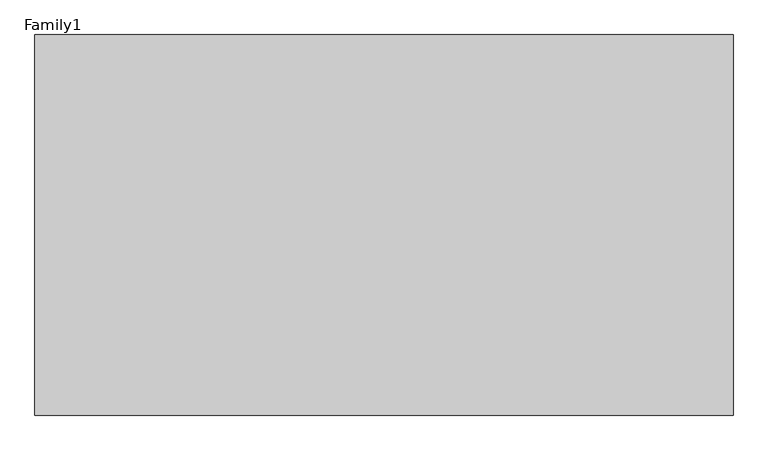
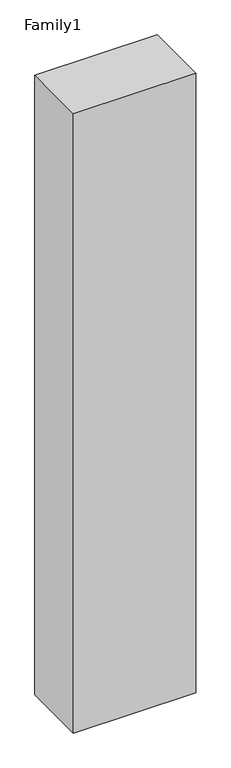
"""IFC4 building model written with IfcOpenShell, lengths in millimetres: proxy geometry, Family1."""

import ifcopenshell
import ifcopenshell.guid

model = None  # the IFC model being written
_history = None  # IfcOwnerHistory: only IFC2X3 demands one
_inside = {}  # id of a spatial element -> (the spatial element, [elements in it])
_under = {}  # id of a project, library or spatial element -> (it, [spatial elements below it])
_declared = {}  # id of a project -> (the project, [libraries it declares])
_typed = {}  # id of a type object -> (the type object, [elements of that type])
_made_of = {}  # id of a material, layer set ... -> (it, [elements and type objects made of it])


def new_model(schema):
    """Start an empty IFC model of exactly this schema.

    Asked for "IFC4X3", IfcOpenShell would pick the latest addendum, in which some entities
    have other attributes; the version numbers below select the first issue.
    IFC2X3 requires an IfcOwnerHistory on every rooted entity: one is made here for all.
    """
    global model, _history
    if schema == "IFC4X3":
        model = ifcopenshell.file(schema_version=(4, 3, 0, 0))
    else:
        model = ifcopenshell.file(schema=schema)
    _inside.clear()
    _under.clear()
    _declared.clear()
    _typed.clear()
    _made_of.clear()
    _history = None
    if model.schema == "IFC2X3":
        org = make("IfcOrganization", Name="unknown")
        user = make(
            "IfcPersonAndOrganization",
            ThePerson=make("IfcPerson", FamilyName="unknown"),
            TheOrganization=org,
        )
        app = make(
            "IfcApplication",
            ApplicationDeveloper=org,
            Version="unknown",
            ApplicationFullName="unknown",
            ApplicationIdentifier="unknown",
        )
        _history = make(
            "IfcOwnerHistory",
            OwningUser=user,
            OwningApplication=app,
            ChangeAction="ADDED",
            CreationDate=0,
        )
    return model


def make(cls, **values):
    """One entity of the class cls with the attributes given. An attribute that is None is left unset."""
    return model.create_entity(
        cls, **{name: value for name, value in values.items() if value is not None}
    )


def rooted(cls, **values):
    """An entity with a GlobalId (a new one), such as an element, a storey or a relation."""
    return make(cls, GlobalId=ifcopenshell.guid.new(), OwnerHistory=_history, **values)


def si_unit(unit_type, name, prefix=None):
    """IfcSIUnit, for example si_unit("LENGTHUNIT", "METRE", prefix="MILLI")."""
    return make("IfcSIUnit", UnitType=unit_type, Prefix=prefix, Name=name)


def assignment(units):
    """IfcUnitAssignment: the units of a project."""
    return None if units is None else make("IfcUnitAssignment", Units=units)


def point(xyz):
    """IfcCartesianPoint."""
    return None if xyz is None else make("IfcCartesianPoint", Coordinates=xyz)


def direction(xyz):
    """IfcDirection."""
    return None if xyz is None else make("IfcDirection", DirectionRatios=xyz)


def frame(location, z_axis=None, x_axis=None):
    """IfcAxis2Placement3D, a coordinate frame: its origin and axes. An axis left out is left unset."""
    return make(
        "IfcAxis2Placement3D",
        Location=point(location),
        Axis=direction(z_axis),
        RefDirection=direction(x_axis),
    )


def origin():
    """The frame at (0, 0, 0) with its axes left unset."""
    return frame((0.0, 0.0, 0.0))


def origin_with_axes():
    """The frame at (0, 0, 0) with the z axis (0, 0, 1) and the x axis (1, 0, 0) written out."""
    return frame((0.0, 0.0, 0.0), z_axis=(0.0, 0.0, 1.0), x_axis=(1.0, 0.0, 0.0))


def place(relative_to, where):
    """IfcLocalPlacement: puts the frame where relative to a parent placement (None: the world)."""
    return make(
        "IfcLocalPlacement", PlacementRelTo=relative_to, RelativePlacement=where
    )


def context(
    kind, dimensions, precision=None, world=None, true_north=None, identifier=None
):
    """IfcGeometricRepresentationContext, for example the 3D "Model" context."""
    return make(
        "IfcGeometricRepresentationContext",
        ContextIdentifier=identifier,
        ContextType=kind,
        CoordinateSpaceDimension=dimensions,
        Precision=precision,
        WorldCoordinateSystem=world,
        TrueNorth=true_north,
    )


def project(units=None, contexts=None):
    """IfcProject with its units and contexts."""
    return rooted(
        "IfcProject",
        Name="project",
        RepresentationContexts=contexts,
        UnitsInContext=assignment(units),
    )


def spatial(cls, under=None, at=None, **own):
    """A site, building, storey or space (cls), placed at a placement, below another one or the project."""
    s = rooted(cls, ObjectPlacement=at, **own)
    if under is not None:
        _under.setdefault(under.id(), (under, []))[1].append(s)
    return s


def polyline(points):
    """IfcPolyline through the points."""
    return make("IfcPolyline", Points=[point(p) for p in points])


def outline(outer, holes=None, kind="AREA"):
    """IfcArbitraryClosedProfileDef: a profile drawn as a closed curve; with holes, ...WithVoids."""
    if holes is None:
        return make("IfcArbitraryClosedProfileDef", ProfileType=kind, OuterCurve=outer)
    return make(
        "IfcArbitraryProfileDefWithVoids",
        ProfileType=kind,
        OuterCurve=outer,
        InnerCurves=holes,
    )


def extrude(swept, where, along, depth):
    """IfcExtrudedAreaSolid: the profile swept, set in the frame where, extruded along a direction by depth."""
    return make(
        "IfcExtrudedAreaSolid",
        SweptArea=swept,
        Position=where,
        ExtrudedDirection=direction(along),
        Depth=depth,
    )


def shape(context_of_items, identifier, shape_type, items):
    """IfcShapeRepresentation: the items that make up one representation, for example the "Body"."""
    return make(
        "IfcShapeRepresentation",
        ContextOfItems=context_of_items,
        RepresentationIdentifier=identifier,
        RepresentationType=shape_type,
        Items=items,
    )


def source(mapping_origin, context_of_items, identifier, shape_type, items):
    """IfcRepresentationMap: a shape defined once, which mapped items show again and again."""
    return make(
        "IfcRepresentationMap",
        MappingOrigin=mapping_origin,
        MappedRepresentation=shape(context_of_items, identifier, shape_type, items),
    )


def transform(
    local_origin,
    x_axis=None,
    y_axis=None,
    z_axis=None,
    scale=None,
    scale2=None,
    scale3=None,
    uniform=True,
):
    """IfcCartesianTransformationOperator3D, or its non-uniform kind. x_axis, y_axis, z_axis: its Axis1, 2, 3."""
    if uniform:
        return make(
            "IfcCartesianTransformationOperator3D",
            Axis1=direction(x_axis),
            Axis2=direction(y_axis),
            LocalOrigin=point(local_origin),
            Scale=scale,
            Axis3=direction(z_axis),
        )
    return make(
        "IfcCartesianTransformationOperator3DnonUniform",
        Axis1=direction(x_axis),
        Axis2=direction(y_axis),
        LocalOrigin=point(local_origin),
        Scale=scale,
        Axis3=direction(z_axis),
        Scale2=scale2,
        Scale3=scale3,
    )


def mapped(mapping_source, mapping_target):
    """IfcMappedItem: shows the shape of a source again, moved by a transform."""
    return make(
        "IfcMappedItem", MappingSource=mapping_source, MappingTarget=mapping_target
    )


def made_of(thing, what):
    """Note that an element or type object is made of a material, layer set ...; save() writes the relation."""
    if what is not None:
        _made_of.setdefault(what.id(), (what, []))[1].append(thing)
    return thing


def element(
    cls,
    number,
    at=None,
    inside=None,
    cuts=None,
    type_object=None,
    material=None,
    context=None,
    identifier="Body",
    shape_type=None,
    held_by="IfcProductDefinitionShape",
    body=None,
    shapes=None,
    **own,
):
    """One element of the class cls, such as IfcWall. Its Tag is "e" and its number.

    at: its placement. inside: the storey or other place that contains it. cuts: it is an
    opening in that element (IfcRelVoidsElement). A single representation is given by context,
    identifier, shape_type and body (its items); several are given by shapes. held_by: the class
    of the entity that holds the representations. save() writes the other relations.
    """
    e = rooted(cls, Tag="e%d" % number, ObjectPlacement=at, **own)
    if body is not None:
        shapes = [shape(context, identifier, shape_type, body)]
    if shapes is not None:
        e.Representation = make(held_by, Representations=shapes)
    if inside is not None:
        _inside.setdefault(inside.id(), (inside, []))[1].append(e)
    if cuts is not None:
        rooted(
            "IfcRelVoidsElement", RelatingBuildingElement=cuts, RelatedOpeningElement=e
        )
    if type_object is not None:
        _typed.setdefault(type_object.id(), (type_object, []))[1].append(e)
    return made_of(e, material)


def aggregate(whole, parts):
    """IfcRelAggregates: a whole, such as a stair, and the parts it consists of."""
    return rooted("IfcRelAggregates", RelatingObject=whole, RelatedObjects=parts)


def save(model, path):
    """Write the relations noted so far, then the file.

    IfcRelAggregates (storeys below a building ...), IfcRelContainedInSpatialStructure (elements
    in a storey), IfcRelDefinesByType, IfcRelAssociatesMaterial and IfcRelDeclares: one each for
    every whole, place, type object, material and project.
    """
    for whole, parts in _under.values():
        aggregate(whole, parts)
    for where, things in _inside.values():
        rooted(
            "IfcRelContainedInSpatialStructure",
            RelatedElements=things,
            RelatingStructure=where,
        )
    for kind, things in _typed.values():
        rooted("IfcRelDefinesByType", RelatedObjects=things, RelatingType=kind)
    for what, things in _made_of.values():
        rooted("IfcRelAssociatesMaterial", RelatedObjects=things, RelatingMaterial=what)
    for by, libraries in _declared.values():
        rooted("IfcRelDeclares", RelatingContext=by, RelatedDefinitions=libraries)
    model.write(path)


def family1_f460b809(model_context):
    return source(origin(), model_context, "Body", "SweptSolid", [
        extrude(outline(polyline([(5500.0, 0.0), (0.0, 0.0), (0.0, 3000.0), (5500.0, 3000.0), (5500.0, 0.0)])), origin_with_axes(), (0.0, 0.0, 1.0), 29400.0),
    ])


if __name__ == "__main__":
    model = new_model("IFC4")
    model_context = context("Model", 3, world=origin())
    ifc_project = project(units=[si_unit("LENGTHUNIT", "METRE", prefix="MILLI")], contexts=[model_context])
    site = spatial("IfcSite", under=ifc_project)
    building = spatial("IfcBuilding", under=site)
    placement = place(None, origin())
    family1_shape = family1_f460b809(model_context)
    element("IfcBuildingElementProxy", 1, Name="Family1", ObjectType="Family1", at=placement, inside=building, context=model_context, shape_type="MappedRepresentation", body=[
        mapped(family1_shape, transform((0.0, 0.0, 0.0), x_axis=(1.0, 0.0, 0.0), y_axis=(0.0, 1.0, 0.0), z_axis=(0.0, 0.0, 1.0))),
    ])
    save(model, "model.ifc")
